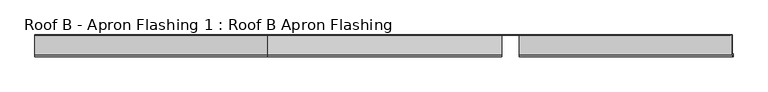
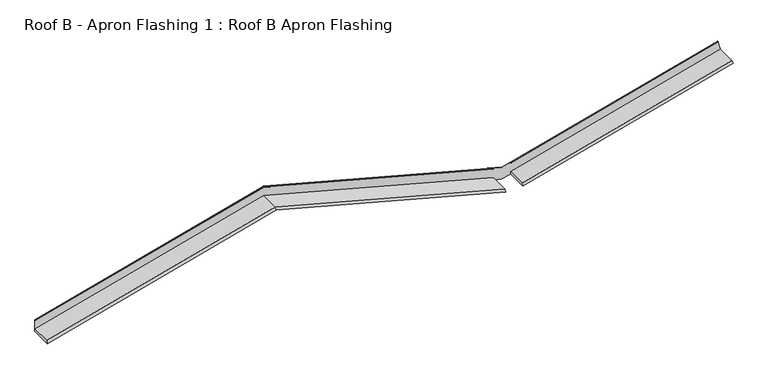
"""IFC4 building model written with IfcOpenShell, lengths in millimetres: proxy geometry, Roof B - Apron Flashing 1 : Roof B Apron Flashing."""

from ifc_helpers import new_model, si_unit, frame, origin, place, context, project, spatial, circle_curve, ellipse_curve, source, transform, mapped, element, save
from ifc_brep_helpers import plane_surface, cylinder_surface, advanced_brep


def roof_b_apron_flashing_1_roof_b_apron_flashing_229a6006(model_context):
    return source(origin(), model_context, "Body", "AdvancedBrep", [
        advanced_brep(
        [(7217.9826273, -315.2800751, 3936.6815328), (7224.9707415, -330.8685324, 3910.6015355), (7224.9707415, -297.4175022, 3910.6015355), (7218.2382213, -297.4175022, 3935.7276429), (7218.2382213, -85.5, 3935.7276429), (7189.8139585, -85.5, 4041.808436), (7189.7201206, -86.7239884, 4042.1586439), (7191.2306039, -90.5139698, 4036.5214433), (7191.3715669, -89.6752992, 4035.9953624), (7190.1060629, -86.5, 4040.7182876), (7217.9826273, -86.5, 3936.6815328), (2000.0, -315.2800751, 3993.4914166), (2000.0, -330.8685324, 3965.5389597), (4625.0, -330.8685324, 3262.1723296), (4625.0, -315.2800751, 3290.1247865), (2000.0, -85.5, 3965.5389597), (4715.0, -85.5, 3238.0569023), (4715.0, -86.5, 3238.0569023), (4625.0, -86.5, 3262.1723296), (2000.0, -86.7239884, 4106.5414436), (2000.0, -90.5139698, 4100.4995101), (4625.0, -90.5139698, 3397.13288), (4625.0, -86.7239884, 3403.1748134), (2000.0, -86.5, 3993.4914166), (4625.0, -86.5, 3290.1247865), (-617.8589424, -330.8685324, 3264.0857702), (-617.8589424, -85.5, 3264.0857702), (-617.8589424, -86.7239884, 3405.0882541), (-617.8589424, -90.5139698, 3399.0463206), (-617.8589424, -86.5, 3292.0382271), (-617.8589424, -315.2800751, 3292.0382271), (4821.805448, -315.2800751, 3294.6277927), (4821.805448, -330.8685324, 3266.6753358), (4821.805448, -86.5, 3266.6753358), (4898.525907, -85.5, 3287.2325209), (4898.525907, -297.4175022, 3287.2325209), (-617.8589424, -85.5, 3404.7129024), (2000.0, -85.5, 4106.1660919), (4715.0, -85.5, 3378.6840344), (4898.525907, -85.5, 3314.1626016), (4821.805448, -86.7239884, 3407.6778197), (4821.805448, -90.5139698, 3401.6358862), (4821.805448, -86.5, 3406.1340504), (4821.805448, -86.5, 3407.8984348), (4715.0, -86.5, 3379.2800012), (4625.0, -86.5, 3403.3954286), (4625.0, -86.5, 3401.6310442), (2000.0, -86.5, 4104.9976743), (-617.8589424, -86.5, 3403.5444848), (4821.805448, -86.5, 3294.6277927), (4821.805448, -89.6752992, 3401.0720344), (2000.0, -89.6752992, 4099.9356583), (4625.0, -89.6752992, 3396.5690282), (-617.8589424, -89.6752992, 3398.4824688), (4898.525907, -297.4175022, 3314.1626016)],
        [
            (0, 1),
            (1, 2),
            (2, 3),
            (3, 4),
            (4, 5),
            (5, 6, circle_curve(frame((7189.8139585, -86.1656921, 4041.808436), z_axis=(0.9659258262890694, 0.0, 0.2588190451025169), x_axis=(-0.2588190451025169, 0.0, 0.9659258262890694)), 0.6656921)),
            (6, 7),
            (7, 8, circle_curve(frame((7191.3010854, -90.0946345, 4036.2584028), z_axis=(0.9659258262890694, 0.0, 0.2588190451025169), x_axis=(-0.2588190451025169, 0.0, 0.9659258262890694)), 0.5)),
            (8, 9),
            (9, 10),
            (10, 0),
            (11, 12),
            (12, 13),
            (13, 14),
            (14, 11),
            (12, 15),
            (15, 16),
            (16, 17),
            (17, 18),
            (18, 13),
            (19, 20),
            (20, 21),
            (21, 22),
            (22, 19),
            (23, 11),
            (14, 24),
            (24, 23),
            (12, 25),
            (25, 26),
            (26, 15),
            (19, 27),
            (27, 28),
            (28, 20),
            (23, 29),
            (29, 30),
            (30, 11),
            (0, 31),
            (31, 32),
            (32, 1),
            (32, 33),
            (33, 17),
            (16, 34),
            (34, 35),
            (35, 2),
            (26, 36),
            (36, 37),
            (37, 38),
            (38, 5),
            (4, 39),
            (39, 34),
            (6, 40),
            (40, 41),
            (41, 7),
            (9, 42),
            (42, 43),
            (43, 44),
            (44, 45),
            (45, 46),
            (46, 47),
            (47, 48),
            (48, 29),
            (24, 18),
            (33, 49),
            (49, 10),
            (49, 31),
            (38, 44, ellipse_curve(frame((4715.0, -86.1656921, 3378.6840344), z_axis=(1.0, 0.0, 0.0), x_axis=(0.0, 0.0, 1.0)), 0.6891751, 0.6656921)),
            (43, 40, ellipse_curve(frame((4821.805448, -86.1656921, 3407.302468), z_axis=(1.0, 0.0, 0.0), x_axis=(0.0, 0.0, 1.0)), 0.6891751, 0.6656921)),
            (41, 50, ellipse_curve(frame((4821.805448, -90.0946345, 3401.3539603), z_axis=(1.0, 0.0, 0.0), x_axis=(0.0, 0.0, 1.0)), 0.5176381, 0.5)),
            (50, 8),
            (50, 42),
            (37, 19, ellipse_curve(frame((2000.0, -86.1656921, 4106.1660919), z_axis=(1.0, 0.0, 0.0), x_axis=(0.0, 0.0, -1.0)), 0.6891751, 0.6656921)),
            (22, 45, ellipse_curve(frame((4625.0, -86.1656921, 3402.7994618), z_axis=(-1.0, 0.0, 0.0), x_axis=(0.0, 0.0, -1.0)), 0.6891751, 0.6656921)),
            (20, 51, ellipse_curve(frame((2000.0, -90.0946345, 4100.2175842), z_axis=(1.0, 0.0, 0.0), x_axis=(0.0, 0.0, -1.0)), 0.5176381, 0.5)),
            (51, 52),
            (52, 21, ellipse_curve(frame((4625.0, -90.0946345, 3396.8509541), z_axis=(-1.0, 0.0, 0.0), x_axis=(0.0, 0.0, -1.0)), 0.5176381, 0.5)),
            (51, 47),
            (46, 52),
            (36, 27, ellipse_curve(frame((-617.8589424, -86.1656921, 3404.7129024), z_axis=(1.0, 0.0, 0.0), x_axis=(0.0, 0.0, 1.0)), 0.6891751, 0.6656921)),
            (28, 53, ellipse_curve(frame((-617.8589424, -90.0946345, 3398.7643947), z_axis=(1.0, 0.0, 0.0), x_axis=(0.0, 0.0, 1.0)), 0.5176381, 0.5)),
            (53, 51),
            (53, 48),
            (30, 25),
            (35, 54),
            (54, 3),
            (54, 39),
        ],
        [
            plane_surface(frame((7245.7256649, -95.0, 3833.1431071), z_axis=(0.9659258262890694, 0.0, 0.2588190451025169), x_axis=(0.0, 1.0, 0.0))),
            plane_surface(frame((4715.0, -315.2800751, 3266.0093592), z_axis=(0.12940952255125998, -0.8660254037844388, 0.48296291314453443), x_axis=(-0.9659258262890686, 0.0, 0.2588190451025199))),
            plane_surface(frame((4715.0, -330.8685324, 3238.0569023), z_axis=(-0.2588190451025201, 0.0, -0.9659258262890684), x_axis=(-0.9659258262890684, 0.0, 0.2588190451025201))),
            plane_surface(frame((4715.0, -86.7239884, 3379.0593861), z_axis=(0.14096295496814815, -0.838670567945422, 0.5260809099261741), x_axis=(-0.9659258262890685, 0.0, 0.2588190451025201))),
            plane_surface(frame((4715.0, -86.5, 3266.0093592), z_axis=(0.2588190451025201, 0.0, 0.9659258262890684), x_axis=(-0.9659258262890684, 0.0, 0.2588190451025201))),
            plane_surface(frame((2000.0, -330.8685324, 3965.5389597), z_axis=(0.25881904510252013, 0.0, -0.9659258262890685), x_axis=(-0.9659258262890685, 0.0, -0.25881904510252013))),
            plane_surface(frame((2000.0, -86.7239884, 4106.5414436), z_axis=(-0.1409629549681481, -0.8386705679454222, 0.526080909926174), x_axis=(-0.9659258262890685, 0.0, -0.25881904510252))),
            plane_surface(frame((2000.0, -86.5, 3993.4914166), z_axis=(-0.2588190451025201, 0.0, 0.9659258262890684), x_axis=(-0.9659258262890684, 0.0, -0.2588190451025201))),
            plane_surface(frame((7217.9826273, -315.2800751, 3936.6815328), z_axis=(-0.1294095225512586, -0.8660254037844386, 0.48296291314453477), x_axis=(-0.9659258262890693, 0.0, -0.25881904510251713))),
            plane_surface(frame((7224.9707415, -330.8685324, 3910.6015355), z_axis=(0.2588190451025171, 0.0, -0.9659258262890693), x_axis=(-0.9659258262890693, 0.0, -0.2588190451025171))),
            plane_surface(frame((7224.9707415, -85.5, 3910.6015355), z_axis=(0.0, 1.0, 0.0), x_axis=(-0.9659258262890693, 0.0, -0.2588190451025171))),
            plane_surface(frame((7189.7201206, -86.7239884, 4042.1586439), z_axis=(-0.1409629549681465, -0.8386705679454222, 0.5260809099261744), x_axis=(-0.9659258262890693, 0.0, -0.25881904510251713))),
            plane_surface(frame((7190.1060629, -86.5, 4040.7182876), z_axis=(0.0, -1.0, 0.0), x_axis=(-0.9659258262890693, 0.0, -0.258819045102517))),
            plane_surface(frame((7217.9826273, -86.5, 3936.6815328), z_axis=(-0.2588190451025169, 0.0, 0.9659258262890694), x_axis=(-0.9659258262890694, 0.0, -0.2588190451025169))),
            cylinder_surface(frame((7189.8139585, -86.1656921, 4041.808436), z_axis=(0.9659258262890694, 0.0, 0.2588190451025169), x_axis=(-0.2588190451025169, 0.0, 0.9659258262890694)), 0.6656921),
            cylinder_surface(frame((7191.3010854, -90.0946345, 4036.2584028), z_axis=(0.9659258262890694, 0.0, 0.2588190451025169), x_axis=(-0.2588190451025169, 0.0, 0.9659258262890694)), 0.5),
            plane_surface(frame((7191.3715669, -89.6752992, 4035.9953624), z_axis=(0.1409629549681444, 0.8386705679454272, -0.5260809099261671), x_axis=(-0.9659258262890694, 0.0, -0.2588190451025169))),
            cylinder_surface(frame((4770.9117064, -86.1656921, 3363.7025379), z_axis=(0.9659258262890684, 0.0, -0.2588190451025201), x_axis=(0.2588190451025201, 0.0, 0.9659258262890684)), 0.6656921),
            cylinder_surface(frame((4769.4245795, -90.0946345, 3358.1525047), z_axis=(0.9659258262890684, 0.0, -0.2588190451025201), x_axis=(0.2588190451025201, 0.0, 0.9659258262890684)), 0.5),
            plane_surface(frame((4715.0, -89.6752992, 3372.4536009), z_axis=(-0.14096295496814612, 0.8386705679454273, -0.5260809099261665), x_axis=(-0.9659258262890685, 0.0, 0.2588190451025201))),
            cylinder_surface(frame((1944.0882936, -86.1656921, 4091.1845953), z_axis=(0.9659258262890684, 0.0, 0.2588190451025201), x_axis=(-0.2588190451025201, 0.0, 0.9659258262890684)), 0.6656921),
            cylinder_surface(frame((1945.5754205, -90.0946345, 4085.6345621), z_axis=(0.9659258262890684, 0.0, 0.2588190451025201), x_axis=(-0.2588190451025201, 0.0, 0.9659258262890684)), 0.5),
            plane_surface(frame((2000.0, -89.6752992, 4099.9356583), z_axis=(0.1409629549681462, 0.838670567945427, -0.5260809099261665), x_axis=(-0.9659258262890684, 0.0, -0.25881904510252024))),
            plane_surface(frame((2000.0, -315.2800751, 3993.4914166), z_axis=(-0.12940952255125998, -0.8660254037844387, 0.4829629131445344), x_axis=(-0.9659258262890685, 0.0, -0.2588190451025199))),
            plane_surface(frame((4821.805448, -795.5629082, 3660.9894786), z_axis=(-1.0, 0.0, 0.0), x_axis=(0.0, 0.0, -1.0))),
            plane_surface(frame((4625.0, -86.5, 3660.9894786), z_axis=(1.0, 0.0, 0.0), x_axis=(0.0, 0.0, -1.0))),
            plane_surface(frame((-617.8589424, -760.5629082, 3739.5229882), z_axis=(-1.0, 0.0, 0.0), x_axis=(0.0, 0.0, -1.0))),
            plane_surface(frame((4898.525907, -297.4175022, 3214.1626016), z_axis=(0.0, 1.0, 0.0), x_axis=(1.0, 0.0, 0.0))),
            plane_surface(frame((7613.525907, -297.4175022, 4041.6446591), z_axis=(0.25881904510251846, 0.0, -0.965925826289069), x_axis=(0.0, 1.0, 0.0))),
            plane_surface(frame((4898.525907, -297.4175022, 3314.1626016), z_axis=(1.0, 0.0, 0.0), x_axis=(0.0, 1.0, 0.0))),
        ],
        [
            (0, [[1, 2, 3, 4, 5, 6, 7, 8, 9, 10, 11]]),
            (1, [[12, 13, 14, 15]]),
            (2, [[16, 17, 18, 19, 20, -13]]),
            (3, [[21, 22, 23, 24]]),
            (4, [[25, -15, 26, 27]]),
            (5, [[-16, 28, 29, 30]]),
            (6, [[-21, 31, 32, 33]]),
            (7, [[-25, 34, 35, 36]]),
            (8, [[-1, 37, 38, 39]]),
            (9, [[-39, 40, 41, -18, 42, 43, 44, -2]]),
            (10, [[-17, -30, 45, 46, 47, 48, -5, 49, 50, -42]]),
            (11, [[-7, 51, 52, 53]]),
            (12, [[-10, 54, 55, 56, 57, 58, 59, 60, 61, -34, -27, 62, -19, -41, 63, 64]]),
            (13, [[-11, -64, 65, -37]]),
            (14, [[-6, -48, 66, -56, 67, -51]]),
            (15, [[-8, -53, 68, 69]]),
            (16, [[-9, -69, 70, -54]]),
            (17, [[-47, 71, -24, 72, -57, -66]]),
            (18, [[73, 74, 75, -22]]),
            (19, [[76, -59, 77, -74]]),
            (20, [[-71, -46, 78, -31]]),
            (21, [[-73, -33, 79, 80]]),
            (22, [[-76, -80, 81, -60]]),
            (23, [[-12, -36, 82, -28]]),
            (24, [[-63, -40, -38, -65]]),
            (24, [[-55, -70, -68, -52, -67]]),
            (25, [[-62, -26, -14, -20]]),
            (25, [[-58, -72, -23, -75, -77]]),
            (26, [[-29, -82, -35, -61, -81, -79, -32, -78, -45]]),
            (27, [[83, 84, -3, -44]]),
            (28, [[-84, 85, -49, -4]]),
            (29, [[-83, -43, -50, -85]]),
        ],
    ),
    ])


if __name__ == "__main__":
    model = new_model("IFC4")
    model_context = context("Model", 3, world=origin())
    ifc_project = project(units=[si_unit("LENGTHUNIT", "METRE", prefix="MILLI")], contexts=[model_context])
    site = spatial("IfcSite", under=ifc_project)
    building = spatial("IfcBuilding", under=site)
    placement = place(None, origin())
    roof_b_apron_flashing_1_roof_b_apron_flashing_shape = roof_b_apron_flashing_1_roof_b_apron_flashing_229a6006(model_context)
    element("IfcBuildingElementProxy", 1, Name="Roof B - Apron Flashing 1 : Roof B Apron Flashing", ObjectType="Roof B - Apron Flashing 1 : Roof B Apron Flashing", at=placement, inside=building, context=model_context, shape_type="MappedRepresentation", body=[
        mapped(roof_b_apron_flashing_1_roof_b_apron_flashing_shape, transform((0.0, 0.0, 0.0), x_axis=(1.0, 0.0, 0.0), y_axis=(0.0, 1.0, 0.0), z_axis=(0.0, 0.0, 1.0))),
    ])
    save(model, "model.ifc")
